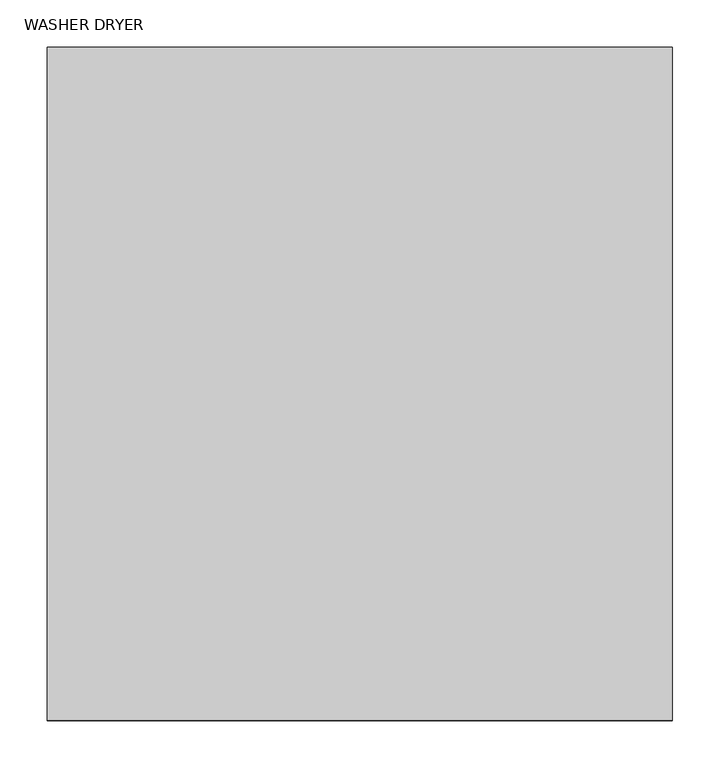
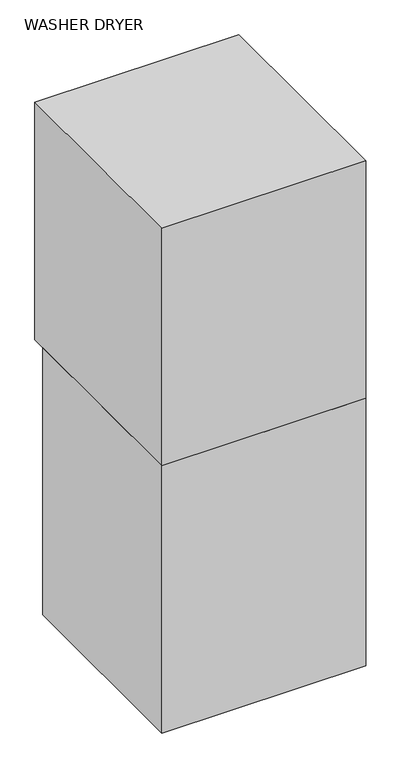
"""IFC4 building model written with IfcOpenShell, lengths in millimetres: proxy geometry, WASHER DRYER."""

import ifcopenshell
import ifcopenshell.guid

model = None  # the IFC model being written
_history = None  # IfcOwnerHistory: only IFC2X3 demands one
_inside = {}  # id of a spatial element -> (the spatial element, [elements in it])
_under = {}  # id of a project, library or spatial element -> (it, [spatial elements below it])
_declared = {}  # id of a project -> (the project, [libraries it declares])
_typed = {}  # id of a type object -> (the type object, [elements of that type])
_made_of = {}  # id of a material, layer set ... -> (it, [elements and type objects made of it])


def new_model(schema):
    """Start an empty IFC model of exactly this schema.

    Asked for "IFC4X3", IfcOpenShell would pick the latest addendum, in which some entities
    have other attributes; the version numbers below select the first issue.
    IFC2X3 requires an IfcOwnerHistory on every rooted entity: one is made here for all.
    """
    global model, _history
    if schema == "IFC4X3":
        model = ifcopenshell.file(schema_version=(4, 3, 0, 0))
    else:
        model = ifcopenshell.file(schema=schema)
    _inside.clear()
    _under.clear()
    _declared.clear()
    _typed.clear()
    _made_of.clear()
    _history = None
    if model.schema == "IFC2X3":
        org = make("IfcOrganization", Name="unknown")
        user = make(
            "IfcPersonAndOrganization",
            ThePerson=make("IfcPerson", FamilyName="unknown"),
            TheOrganization=org,
        )
        app = make(
            "IfcApplication",
            ApplicationDeveloper=org,
            Version="unknown",
            ApplicationFullName="unknown",
            ApplicationIdentifier="unknown",
        )
        _history = make(
            "IfcOwnerHistory",
            OwningUser=user,
            OwningApplication=app,
            ChangeAction="ADDED",
            CreationDate=0,
        )
    return model


def make(cls, **values):
    """One entity of the class cls with the attributes given. An attribute that is None is left unset."""
    return model.create_entity(
        cls, **{name: value for name, value in values.items() if value is not None}
    )


def rooted(cls, **values):
    """An entity with a GlobalId (a new one), such as an element, a storey or a relation."""
    return make(cls, GlobalId=ifcopenshell.guid.new(), OwnerHistory=_history, **values)


def si_unit(unit_type, name, prefix=None):
    """IfcSIUnit, for example si_unit("LENGTHUNIT", "METRE", prefix="MILLI")."""
    return make("IfcSIUnit", UnitType=unit_type, Prefix=prefix, Name=name)


def assignment(units):
    """IfcUnitAssignment: the units of a project."""
    return None if units is None else make("IfcUnitAssignment", Units=units)


def point(xyz):
    """IfcCartesianPoint."""
    return None if xyz is None else make("IfcCartesianPoint", Coordinates=xyz)


def direction(xyz):
    """IfcDirection."""
    return None if xyz is None else make("IfcDirection", DirectionRatios=xyz)


def frame(location, z_axis=None, x_axis=None):
    """IfcAxis2Placement3D, a coordinate frame: its origin and axes. An axis left out is left unset."""
    return make(
        "IfcAxis2Placement3D",
        Location=point(location),
        Axis=direction(z_axis),
        RefDirection=direction(x_axis),
    )


def origin():
    """The frame at (0, 0, 0) with its axes left unset."""
    return frame((0.0, 0.0, 0.0))


def origin_with_axes():
    """The frame at (0, 0, 0) with the z axis (0, 0, 1) and the x axis (1, 0, 0) written out."""
    return frame((0.0, 0.0, 0.0), z_axis=(0.0, 0.0, 1.0), x_axis=(1.0, 0.0, 0.0))


def place(relative_to, where):
    """IfcLocalPlacement: puts the frame where relative to a parent placement (None: the world)."""
    return make(
        "IfcLocalPlacement", PlacementRelTo=relative_to, RelativePlacement=where
    )


def context(
    kind, dimensions, precision=None, world=None, true_north=None, identifier=None
):
    """IfcGeometricRepresentationContext, for example the 3D "Model" context."""
    return make(
        "IfcGeometricRepresentationContext",
        ContextIdentifier=identifier,
        ContextType=kind,
        CoordinateSpaceDimension=dimensions,
        Precision=precision,
        WorldCoordinateSystem=world,
        TrueNorth=true_north,
    )


def project(units=None, contexts=None):
    """IfcProject with its units and contexts."""
    return rooted(
        "IfcProject",
        Name="project",
        RepresentationContexts=contexts,
        UnitsInContext=assignment(units),
    )


def spatial(cls, under=None, at=None, **own):
    """A site, building, storey or space (cls), placed at a placement, below another one or the project."""
    s = rooted(cls, ObjectPlacement=at, **own)
    if under is not None:
        _under.setdefault(under.id(), (under, []))[1].append(s)
    return s


def polyline(points):
    """IfcPolyline through the points."""
    return make("IfcPolyline", Points=[point(p) for p in points])


def outline(outer, holes=None, kind="AREA"):
    """IfcArbitraryClosedProfileDef: a profile drawn as a closed curve; with holes, ...WithVoids."""
    if holes is None:
        return make("IfcArbitraryClosedProfileDef", ProfileType=kind, OuterCurve=outer)
    return make(
        "IfcArbitraryProfileDefWithVoids",
        ProfileType=kind,
        OuterCurve=outer,
        InnerCurves=holes,
    )


def extrude(swept, where, along, depth):
    """IfcExtrudedAreaSolid: the profile swept, set in the frame where, extruded along a direction by depth."""
    return make(
        "IfcExtrudedAreaSolid",
        SweptArea=swept,
        Position=where,
        ExtrudedDirection=direction(along),
        Depth=depth,
    )


def shape(context_of_items, identifier, shape_type, items):
    """IfcShapeRepresentation: the items that make up one representation, for example the "Body"."""
    return make(
        "IfcShapeRepresentation",
        ContextOfItems=context_of_items,
        RepresentationIdentifier=identifier,
        RepresentationType=shape_type,
        Items=items,
    )


def source(mapping_origin, context_of_items, identifier, shape_type, items):
    """IfcRepresentationMap: a shape defined once, which mapped items show again and again."""
    return make(
        "IfcRepresentationMap",
        MappingOrigin=mapping_origin,
        MappedRepresentation=shape(context_of_items, identifier, shape_type, items),
    )


def transform(
    local_origin,
    x_axis=None,
    y_axis=None,
    z_axis=None,
    scale=None,
    scale2=None,
    scale3=None,
    uniform=True,
):
    """IfcCartesianTransformationOperator3D, or its non-uniform kind. x_axis, y_axis, z_axis: its Axis1, 2, 3."""
    if uniform:
        return make(
            "IfcCartesianTransformationOperator3D",
            Axis1=direction(x_axis),
            Axis2=direction(y_axis),
            LocalOrigin=point(local_origin),
            Scale=scale,
            Axis3=direction(z_axis),
        )
    return make(
        "IfcCartesianTransformationOperator3DnonUniform",
        Axis1=direction(x_axis),
        Axis2=direction(y_axis),
        LocalOrigin=point(local_origin),
        Scale=scale,
        Axis3=direction(z_axis),
        Scale2=scale2,
        Scale3=scale3,
    )


def mapped(mapping_source, mapping_target):
    """IfcMappedItem: shows the shape of a source again, moved by a transform."""
    return make(
        "IfcMappedItem", MappingSource=mapping_source, MappingTarget=mapping_target
    )


def made_of(thing, what):
    """Note that an element or type object is made of a material, layer set ...; save() writes the relation."""
    if what is not None:
        _made_of.setdefault(what.id(), (what, []))[1].append(thing)
    return thing


def element(
    cls,
    number,
    at=None,
    inside=None,
    cuts=None,
    type_object=None,
    material=None,
    context=None,
    identifier="Body",
    shape_type=None,
    held_by="IfcProductDefinitionShape",
    body=None,
    shapes=None,
    **own,
):
    """One element of the class cls, such as IfcWall. Its Tag is "e" and its number.

    at: its placement. inside: the storey or other place that contains it. cuts: it is an
    opening in that element (IfcRelVoidsElement). A single representation is given by context,
    identifier, shape_type and body (its items); several are given by shapes. held_by: the class
    of the entity that holds the representations. save() writes the other relations.
    """
    e = rooted(cls, Tag="e%d" % number, ObjectPlacement=at, **own)
    if body is not None:
        shapes = [shape(context, identifier, shape_type, body)]
    if shapes is not None:
        e.Representation = make(held_by, Representations=shapes)
    if inside is not None:
        _inside.setdefault(inside.id(), (inside, []))[1].append(e)
    if cuts is not None:
        rooted(
            "IfcRelVoidsElement", RelatingBuildingElement=cuts, RelatedOpeningElement=e
        )
    if type_object is not None:
        _typed.setdefault(type_object.id(), (type_object, []))[1].append(e)
    return made_of(e, material)


def aggregate(whole, parts):
    """IfcRelAggregates: a whole, such as a stair, and the parts it consists of."""
    return rooted("IfcRelAggregates", RelatingObject=whole, RelatedObjects=parts)


def save(model, path):
    """Write the relations noted so far, then the file.

    IfcRelAggregates (storeys below a building ...), IfcRelContainedInSpatialStructure (elements
    in a storey), IfcRelDefinesByType, IfcRelAssociatesMaterial and IfcRelDeclares: one each for
    every whole, place, type object, material and project.
    """
    for whole, parts in _under.values():
        aggregate(whole, parts)
    for where, things in _inside.values():
        rooted(
            "IfcRelContainedInSpatialStructure",
            RelatedElements=things,
            RelatingStructure=where,
        )
    for kind, things in _typed.values():
        rooted("IfcRelDefinesByType", RelatedObjects=things, RelatingType=kind)
    for what, things in _made_of.values():
        rooted("IfcRelAssociatesMaterial", RelatedObjects=things, RelatingMaterial=what)
    for by, libraries in _declared.values():
        rooted("IfcRelDeclares", RelatingContext=by, RelatedDefinitions=libraries)
    model.write(path)


def washer_dryer_07c0c063(model_context):
    return source(origin(), model_context, "Body", "SweptSolid", [
        extrude(outline(polyline([(330.2, -711.2), (-330.2, -711.2), (-330.2, -44.45), (330.2, -44.45), (330.2, -711.2)])), origin_with_axes(), (0.0, 0.0, 1.0), 914.4),
        extrude(outline(polyline([(330.2, -711.2), (-330.2, -711.2), (-330.2, 0.0), (330.2, 0.0), (330.2, -711.2)])), frame((0.0, 0.0, 914.4), z_axis=(0.0, 0.0, 1.0), x_axis=(1.0, 0.0, 0.0)), (0.0, 0.0, 1.0), 812.8),
    ])


if __name__ == "__main__":
    model = new_model("IFC4")
    model_context = context("Model", 3, world=origin())
    ifc_project = project(units=[si_unit("LENGTHUNIT", "METRE", prefix="MILLI")], contexts=[model_context])
    site = spatial("IfcSite", under=ifc_project)
    building = spatial("IfcBuilding", under=site)
    placement = place(None, origin())
    washer_dryer_shape = washer_dryer_07c0c063(model_context)
    element("IfcBuildingElementProxy", 1, Name="WASHER DRYER", ObjectType="WASHER DRYER", at=placement, inside=building, context=model_context, shape_type="MappedRepresentation", body=[
        mapped(washer_dryer_shape, transform((0.0, 0.0, 0.0), x_axis=(1.0, 0.0, 0.0), y_axis=(0.0, 1.0, 0.0), z_axis=(0.0, 0.0, 1.0))),
    ])
    save(model, "model.ifc")
